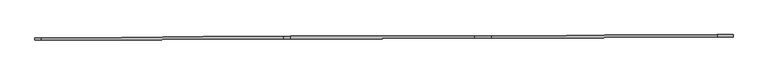
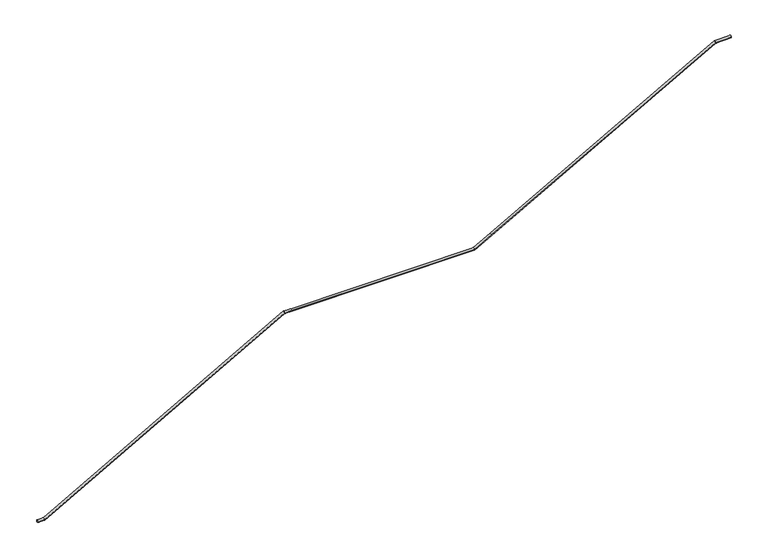
"""IFC4 building model written with IfcOpenShell, lengths in millimetres: railing geometry."""

from ifc_helpers import new_model, si_unit, frame, origin, place, context, project, spatial, circle_curve, ellipse_curve, source, transform, mapped, element, save
from ifc_brep_helpers import plane_surface, cylinder_surface, advanced_brep


def railing_5ec294ce(model_context):
    return source(origin(), model_context, "Body", "AdvancedBrep", [
        advanced_brep(
        [(69903.2019423, -40497.7143238, -6170.0), (69903.0228012, -40457.7147249, -6170.0), (70017.4494336, -40497.2026582, -6170.0), (70017.2702925, -40457.2030593, -6170.0), (74223.2399951, -40478.3667235, -3833.25), (74223.060854, -40438.3671247, -3833.25), (74343.8142393, -40477.8267231, -3833.25), (74343.6350982, -40437.8271243, -3833.25), (77552.1707373, -40463.4578684, -3833.25), (77551.9915962, -40423.4582696, -3833.25), (77843.779139, -40462.1518793, -3671.663916), (77843.5999979, -40422.1522804, -3671.663916), (81769.2166356, -40444.5715259, -1496.5), (81769.0374945, -40404.5719271, -1496.5), (82043.7370187, -40443.3420667, -1496.5), (82043.5578776, -40403.3424678, -1496.5)],
        [
            (0, 1, circle_curve(frame((69903.1123718, -40477.7145244, -6170.0), z_axis=(-0.9999899713485212, -0.004478526809573078, 0.0), x_axis=(-0.004478526809573078, 0.9999899713485212, 0.0)), 20.0)),
            (1, 0, circle_curve(frame((69903.1123718, -40477.7145244, -6170.0), z_axis=(-0.9999899713485212, -0.004478526809573078, 0.0), x_axis=(-0.004478526809573078, 0.9999899713485212, 0.0)), 20.0)),
            (0, 2),
            (2, 3, ellipse_curve(frame((70017.3598631, -40477.2028588, -6170.0), z_axis=(-0.9680144972819439, -0.004335322355571647, -0.25085680782482045), x_axis=(-0.25085429206932286, -0.0011234689391992595, 0.9680242052593219)), 20.6606404, 20.0)),
            (3, 1),
            (3, 2, ellipse_curve(frame((70017.3598631, -40477.2028588, -6170.0), z_axis=(-0.9680144972819439, -0.004335322355571647, -0.25085680782482045), x_axis=(-0.25085429206932286, -0.0011234689391992595, 0.9680242052593219)), 20.6606404, 20.0)),
            (2, 4),
            (4, 5, ellipse_curve(frame((74223.1504245, -40458.3669241, -3833.25), z_axis=(-0.9680144972819437, -0.004335322355575824, -0.25085680782482056), x_axis=(0.25085429206932297, 0.0011234689392153828, -0.9680242052593218)), 20.6606404, 20.0)),
            (5, 3),
            (5, 4, ellipse_curve(frame((74223.1504245, -40458.3669241, -3833.25), z_axis=(-0.9680144972819437, -0.004335322355575824, -0.25085680782482056), x_axis=(0.25085429206932297, 0.0011234689392153828, -0.9680242052593218)), 20.6606404, 20.0)),
            (4, 6),
            (6, 7, circle_curve(frame((74343.7246688, -40457.8269237, -3833.25), z_axis=(-0.999989971348521, -0.004478526809581165, 0.0), x_axis=(-0.004478526809581165, 0.999989971348521, 0.0)), 20.0)),
            (7, 5),
            (7, 6, circle_curve(frame((74343.7246688, -40457.8269237, -3833.25), z_axis=(-0.999989971348521, -0.004478526809581165, 0.0), x_axis=(-0.004478526809581165, 0.999989971348521, 0.0)), 20.0)),
            (6, 8),
            (8, 9, ellipse_curve(frame((77552.0811667, -40443.458069, -3833.25), z_axis=(-0.9681565546131629, -0.004335958569517827, -0.2503079807414324), x_axis=(-0.2503054704899313, -0.0011210110024042431, 0.9681662640151982)), 20.6576089, 20.0)),
            (9, 7),
            (9, 8, ellipse_curve(frame((77552.0811667, -40443.458069, -3833.25), z_axis=(-0.9681565546131629, -0.004335958569517827, -0.2503079807414324), x_axis=(-0.2503054704899313, -0.0011210110024042431, 0.9681662640151982)), 20.6576089, 20.0)),
            (8, 10),
            (10, 11, circle_curve(frame((77843.6895685, -40442.1520799, -3671.663916), z_axis=(-0.8746830575747835, -0.003917330808774023, -0.48467948513524145), x_axis=(-0.004478526809572962, 0.9999899713485211, 0.0)), 20.0)),
            (11, 9),
            (11, 10, circle_curve(frame((77843.6895685, -40442.1520799, -3671.663916), z_axis=(-0.8746830575747835, -0.003917330808774023, -0.48467948513524145), x_axis=(-0.004478526809572962, 0.9999899713485211, 0.0)), 20.0)),
            (10, 12),
            (12, 13, ellipse_curve(frame((81769.1270651, -40424.5717265, -1496.5), z_axis=(-0.9681565546131629, -0.00433595856951819, -0.25030798074143185), x_axis=(0.25030547048992985, 0.001121011002389461, -0.9681662640151987)), 20.6576089, 20.0)),
            (13, 11),
            (13, 12, ellipse_curve(frame((81769.1270651, -40424.5717265, -1496.5), z_axis=(-0.9681565546131629, -0.00433595856951819, -0.25030798074143185), x_axis=(0.25030547048992985, 0.001121011002389461, -0.9681662640151987)), 20.6576089, 20.0)),
            (14, 15, circle_curve(frame((82043.6474481, -40423.3422673, -1496.5), z_axis=(0.9999899713485211, 0.004478526809572146, 0.0), x_axis=(-0.004478526809572146, 0.9999899713485211, 0.0)), 20.0)),
            (15, 14, circle_curve(frame((82043.6474481, -40423.3422673, -1496.5), z_axis=(0.9999899713485211, 0.004478526809572146, 0.0), x_axis=(-0.004478526809572146, 0.9999899713485211, 0.0)), 20.0)),
            (12, 14),
            (15, 13),
        ],
        [
            plane_surface(frame((69903.1123718, -40477.7145244, -6170.0), z_axis=(-0.9999899713485211, -0.004478526809573077, 0.0), x_axis=(0.004478526809573077, -0.9999899713485211, 0.0))),
            cylinder_surface(frame((69903.1123718, -40477.7145244, -6170.0), z_axis=(-0.9999899713485212, -0.004478526809573078, 0.0), x_axis=(-0.004478526809573078, 0.9999899713485212, 0.0)), 20.0),
            cylinder_surface(frame((70017.3598631, -40477.2028588, -6170.0), z_axis=(-0.8741329574731896, -0.003914867146017349, -0.4856709240570244), x_axis=(-0.004478526809577151, 0.9999899713485211, 0.0)), 20.0),
            cylinder_surface(frame((74223.1504245, -40458.3669241, -3833.25), z_axis=(-0.999989971348521, -0.004478526809581165, 0.0), x_axis=(-0.004478526809581165, 0.999989971348521, 0.0)), 20.0),
            cylinder_surface(frame((74343.7246688, -40457.8269237, -3833.25), z_axis=(-0.999989971348521, -0.004478526809575493, 0.0), x_axis=(-0.004478526809575493, 0.999989971348521, 0.0)), 20.0),
            cylinder_surface(frame((77552.0811667, -40443.458069, -3833.25), z_axis=(-0.8746830575747835, -0.003917330808774023, -0.48467948513524145), x_axis=(-0.004478526809572962, 0.9999899713485211, 0.0)), 20.0),
            cylinder_surface(frame((77843.6895685, -40442.1520799, -3671.663916), z_axis=(-0.8746830575747842, -0.003917330808778077, -0.48467948513524034), x_axis=(-0.004478526809576505, 0.9999899713485211, 0.0)), 20.0),
            plane_surface(frame((82043.6474481, -40423.3422673, -1496.5), z_axis=(0.9999899713485211, 0.004478526809572142, 0.0), x_axis=(0.004478526809572142, -0.9999899713485211, 0.0))),
            cylinder_surface(frame((81769.1270651, -40424.5717265, -1496.5), z_axis=(-0.9999899713485211, -0.004478526809572146, 0.0), x_axis=(-0.004478526809572146, 0.9999899713485211, 0.0)), 20.0),
        ],
        [
            (0, [[1, 2]]),
            (1, [[-1, 3, 4, 5]]),
            (1, [[-2, -5, 6, -3]]),
            (2, [[-4, 7, 8, 9]]),
            (2, [[-6, -9, 10, -7]]),
            (3, [[-8, 11, 12, 13]]),
            (3, [[-10, -13, 14, -11]]),
            (4, [[-12, 15, 16, 17]]),
            (4, [[-14, -17, 18, -15]]),
            (5, [[-16, 19, 20, 21]]),
            (5, [[-18, -21, 22, -19]]),
            (6, [[-20, 23, 24, 25]]),
            (6, [[-22, -25, 26, -23]]),
            (7, [[27, 28]]),
            (8, [[-24, 29, -28, 30]]),
            (8, [[-26, -30, -27, -29]]),
        ],
    ),
    ])


if __name__ == "__main__":
    model = new_model("IFC4")
    model_context = context("Model", 3, world=origin())
    ifc_project = project(units=[si_unit("LENGTHUNIT", "METRE", prefix="MILLI")], contexts=[model_context])
    site = spatial("IfcSite", under=ifc_project)
    building = spatial("IfcBuilding", under=site)
    placement = place(None, origin())
    railing_shape = railing_5ec294ce(model_context)
    element("IfcRailing", 1, at=placement, inside=building, context=model_context, shape_type="MappedRepresentation", body=[
        mapped(railing_shape, transform((0.0, 0.0, 0.0), x_axis=(1.0, 0.0, 0.0), y_axis=(0.0, 1.0, 0.0), z_axis=(0.0, 0.0, 1.0))),
    ])
    save(model, "model.ifc")
